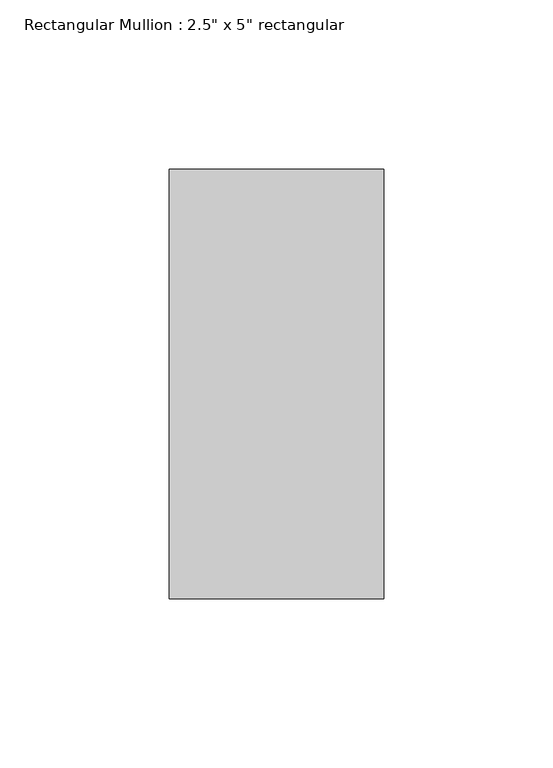
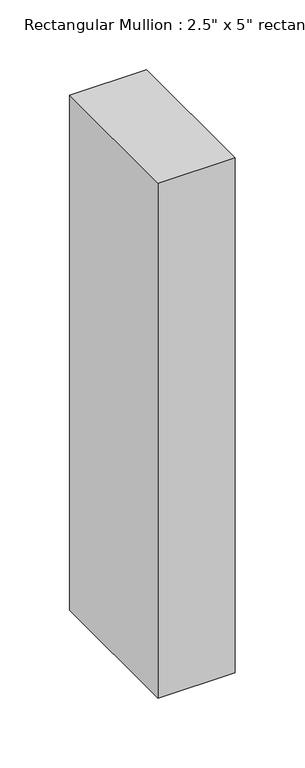
"""IFC4 building model written with IfcOpenShell, lengths in millimetres: member geometry."""

import ifcopenshell
import ifcopenshell.guid

model = None  # the IFC model being written
_history = None  # IfcOwnerHistory: only IFC2X3 demands one
_inside = {}  # id of a spatial element -> (the spatial element, [elements in it])
_under = {}  # id of a project, library or spatial element -> (it, [spatial elements below it])
_declared = {}  # id of a project -> (the project, [libraries it declares])
_typed = {}  # id of a type object -> (the type object, [elements of that type])
_made_of = {}  # id of a material, layer set ... -> (it, [elements and type objects made of it])


def new_model(schema):
    """Start an empty IFC model of exactly this schema.

    Asked for "IFC4X3", IfcOpenShell would pick the latest addendum, in which some entities
    have other attributes; the version numbers below select the first issue.
    IFC2X3 requires an IfcOwnerHistory on every rooted entity: one is made here for all.
    """
    global model, _history
    if schema == "IFC4X3":
        model = ifcopenshell.file(schema_version=(4, 3, 0, 0))
    else:
        model = ifcopenshell.file(schema=schema)
    _inside.clear()
    _under.clear()
    _declared.clear()
    _typed.clear()
    _made_of.clear()
    _history = None
    if model.schema == "IFC2X3":
        org = make("IfcOrganization", Name="unknown")
        user = make(
            "IfcPersonAndOrganization",
            ThePerson=make("IfcPerson", FamilyName="unknown"),
            TheOrganization=org,
        )
        app = make(
            "IfcApplication",
            ApplicationDeveloper=org,
            Version="unknown",
            ApplicationFullName="unknown",
            ApplicationIdentifier="unknown",
        )
        _history = make(
            "IfcOwnerHistory",
            OwningUser=user,
            OwningApplication=app,
            ChangeAction="ADDED",
            CreationDate=0,
        )
    return model


def make(cls, **values):
    """One entity of the class cls with the attributes given. An attribute that is None is left unset."""
    return model.create_entity(
        cls, **{name: value for name, value in values.items() if value is not None}
    )


def rooted(cls, **values):
    """An entity with a GlobalId (a new one), such as an element, a storey or a relation."""
    return make(cls, GlobalId=ifcopenshell.guid.new(), OwnerHistory=_history, **values)


def si_unit(unit_type, name, prefix=None):
    """IfcSIUnit, for example si_unit("LENGTHUNIT", "METRE", prefix="MILLI")."""
    return make("IfcSIUnit", UnitType=unit_type, Prefix=prefix, Name=name)


def assignment(units):
    """IfcUnitAssignment: the units of a project."""
    return None if units is None else make("IfcUnitAssignment", Units=units)


def point(xyz):
    """IfcCartesianPoint."""
    return None if xyz is None else make("IfcCartesianPoint", Coordinates=xyz)


def direction(xyz):
    """IfcDirection."""
    return None if xyz is None else make("IfcDirection", DirectionRatios=xyz)


def frame(location, z_axis=None, x_axis=None):
    """IfcAxis2Placement3D, a coordinate frame: its origin and axes. An axis left out is left unset."""
    return make(
        "IfcAxis2Placement3D",
        Location=point(location),
        Axis=direction(z_axis),
        RefDirection=direction(x_axis),
    )


def origin():
    """The frame at (0, 0, 0) with its axes left unset."""
    return frame((0.0, 0.0, 0.0))


def place(relative_to, where):
    """IfcLocalPlacement: puts the frame where relative to a parent placement (None: the world)."""
    return make(
        "IfcLocalPlacement", PlacementRelTo=relative_to, RelativePlacement=where
    )


def context(
    kind, dimensions, precision=None, world=None, true_north=None, identifier=None
):
    """IfcGeometricRepresentationContext, for example the 3D "Model" context."""
    return make(
        "IfcGeometricRepresentationContext",
        ContextIdentifier=identifier,
        ContextType=kind,
        CoordinateSpaceDimension=dimensions,
        Precision=precision,
        WorldCoordinateSystem=world,
        TrueNorth=true_north,
    )


def project(units=None, contexts=None):
    """IfcProject with its units and contexts."""
    return rooted(
        "IfcProject",
        Name="project",
        RepresentationContexts=contexts,
        UnitsInContext=assignment(units),
    )


def spatial(cls, under=None, at=None, **own):
    """A site, building, storey or space (cls), placed at a placement, below another one or the project."""
    s = rooted(cls, ObjectPlacement=at, **own)
    if under is not None:
        _under.setdefault(under.id(), (under, []))[1].append(s)
    return s


def polyline(points):
    """IfcPolyline through the points."""
    return make("IfcPolyline", Points=[point(p) for p in points])


def outline(outer, holes=None, kind="AREA"):
    """IfcArbitraryClosedProfileDef: a profile drawn as a closed curve; with holes, ...WithVoids."""
    if holes is None:
        return make("IfcArbitraryClosedProfileDef", ProfileType=kind, OuterCurve=outer)
    return make(
        "IfcArbitraryProfileDefWithVoids",
        ProfileType=kind,
        OuterCurve=outer,
        InnerCurves=holes,
    )


def extrude(swept, where, along, depth):
    """IfcExtrudedAreaSolid: the profile swept, set in the frame where, extruded along a direction by depth."""
    return make(
        "IfcExtrudedAreaSolid",
        SweptArea=swept,
        Position=where,
        ExtrudedDirection=direction(along),
        Depth=depth,
    )


def shape(context_of_items, identifier, shape_type, items):
    """IfcShapeRepresentation: the items that make up one representation, for example the "Body"."""
    return make(
        "IfcShapeRepresentation",
        ContextOfItems=context_of_items,
        RepresentationIdentifier=identifier,
        RepresentationType=shape_type,
        Items=items,
    )


def source(mapping_origin, context_of_items, identifier, shape_type, items):
    """IfcRepresentationMap: a shape defined once, which mapped items show again and again."""
    return make(
        "IfcRepresentationMap",
        MappingOrigin=mapping_origin,
        MappedRepresentation=shape(context_of_items, identifier, shape_type, items),
    )


def transform(
    local_origin,
    x_axis=None,
    y_axis=None,
    z_axis=None,
    scale=None,
    scale2=None,
    scale3=None,
    uniform=True,
):
    """IfcCartesianTransformationOperator3D, or its non-uniform kind. x_axis, y_axis, z_axis: its Axis1, 2, 3."""
    if uniform:
        return make(
            "IfcCartesianTransformationOperator3D",
            Axis1=direction(x_axis),
            Axis2=direction(y_axis),
            LocalOrigin=point(local_origin),
            Scale=scale,
            Axis3=direction(z_axis),
        )
    return make(
        "IfcCartesianTransformationOperator3DnonUniform",
        Axis1=direction(x_axis),
        Axis2=direction(y_axis),
        LocalOrigin=point(local_origin),
        Scale=scale,
        Axis3=direction(z_axis),
        Scale2=scale2,
        Scale3=scale3,
    )


def mapped(mapping_source, mapping_target):
    """IfcMappedItem: shows the shape of a source again, moved by a transform."""
    return make(
        "IfcMappedItem", MappingSource=mapping_source, MappingTarget=mapping_target
    )


def made_of(thing, what):
    """Note that an element or type object is made of a material, layer set ...; save() writes the relation."""
    if what is not None:
        _made_of.setdefault(what.id(), (what, []))[1].append(thing)
    return thing


def element(
    cls,
    number,
    at=None,
    inside=None,
    cuts=None,
    type_object=None,
    material=None,
    context=None,
    identifier="Body",
    shape_type=None,
    held_by="IfcProductDefinitionShape",
    body=None,
    shapes=None,
    **own,
):
    """One element of the class cls, such as IfcWall. Its Tag is "e" and its number.

    at: its placement. inside: the storey or other place that contains it. cuts: it is an
    opening in that element (IfcRelVoidsElement). A single representation is given by context,
    identifier, shape_type and body (its items); several are given by shapes. held_by: the class
    of the entity that holds the representations. save() writes the other relations.
    """
    e = rooted(cls, Tag="e%d" % number, ObjectPlacement=at, **own)
    if body is not None:
        shapes = [shape(context, identifier, shape_type, body)]
    if shapes is not None:
        e.Representation = make(held_by, Representations=shapes)
    if inside is not None:
        _inside.setdefault(inside.id(), (inside, []))[1].append(e)
    if cuts is not None:
        rooted(
            "IfcRelVoidsElement", RelatingBuildingElement=cuts, RelatedOpeningElement=e
        )
    if type_object is not None:
        _typed.setdefault(type_object.id(), (type_object, []))[1].append(e)
    return made_of(e, material)


def aggregate(whole, parts):
    """IfcRelAggregates: a whole, such as a stair, and the parts it consists of."""
    return rooted("IfcRelAggregates", RelatingObject=whole, RelatedObjects=parts)


def save(model, path):
    """Write the relations noted so far, then the file.

    IfcRelAggregates (storeys below a building ...), IfcRelContainedInSpatialStructure (elements
    in a storey), IfcRelDefinesByType, IfcRelAssociatesMaterial and IfcRelDeclares: one each for
    every whole, place, type object, material and project.
    """
    for whole, parts in _under.values():
        aggregate(whole, parts)
    for where, things in _inside.values():
        rooted(
            "IfcRelContainedInSpatialStructure",
            RelatedElements=things,
            RelatingStructure=where,
        )
    for kind, things in _typed.values():
        rooted("IfcRelDefinesByType", RelatedObjects=things, RelatingType=kind)
    for what, things in _made_of.values():
        rooted("IfcRelAssociatesMaterial", RelatedObjects=things, RelatingMaterial=what)
    for by, libraries in _declared.values():
        rooted("IfcRelDeclares", RelatingContext=by, RelatedDefinitions=libraries)
    model.write(path)


def member_2eb17896(model_context):
    return source(origin(), model_context, "Body", "SweptSolid", [
        extrude(outline(polyline([(0.0, 63.5), (0.0, -63.5), (-63.5, -63.5), (-63.5, 63.5), (0.0, 63.5)])), frame((0.0, 0.0, -450.1964399), z_axis=(0.0, 0.0, 1.0), x_axis=(1.0, 0.0, 0.0)), (0.0, 0.0, 1.0), 450.1964399),
    ])


if __name__ == "__main__":
    model = new_model("IFC4")
    model_context = context("Model", 3, world=origin())
    ifc_project = project(units=[si_unit("LENGTHUNIT", "METRE", prefix="MILLI")], contexts=[model_context])
    site = spatial("IfcSite", under=ifc_project)
    building = spatial("IfcBuilding", under=site)
    placement = place(None, origin())
    member_shape = member_2eb17896(model_context)
    element("IfcMember", 1, ObjectType="Rectangular Mullion : 2.5\" x 5\" rectangular", at=placement, inside=building, context=model_context, shape_type="MappedRepresentation", body=[
        mapped(member_shape, transform((0.0, 0.0, 0.0), x_axis=(1.0, 0.0, 0.0), y_axis=(0.0, 1.0, 0.0), z_axis=(0.0, 0.0, 1.0))),
    ])
    save(model, "model.ifc")
